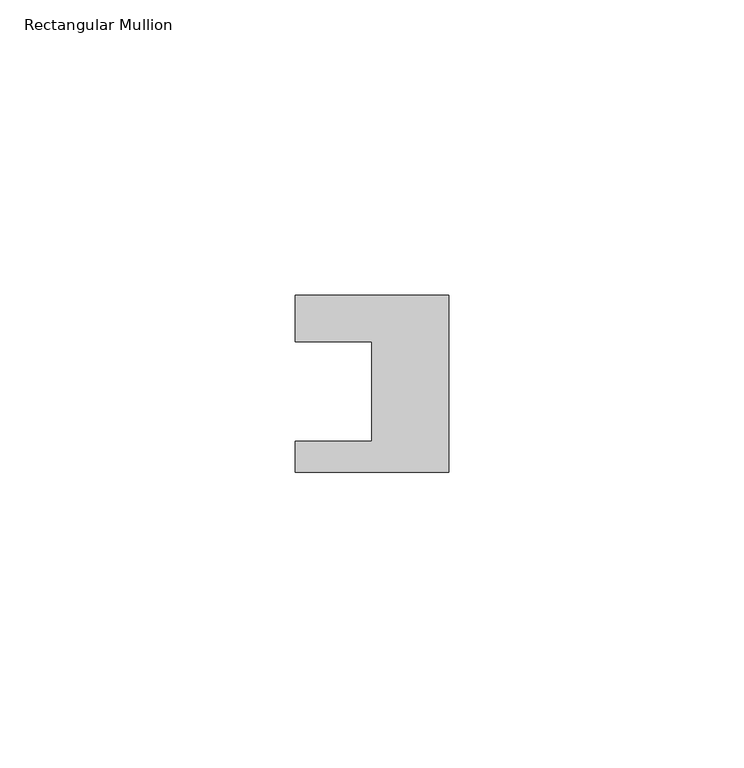
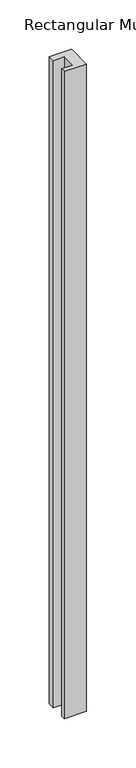
"""IFC4 building model written with IfcOpenShell, lengths in millimetres: member geometry, Rectangular Mullion."""

from ifc_helpers import new_model, si_unit, frame, origin, place, context, project, spatial, polyline, outline, extrude, source, transform, mapped, element, save


def rectangular_mullion_f6c19a3d(model_context):
    return source(origin(), model_context, "Body", "SweptSolid", [
        extrude(outline(polyline([(-26.0, 0.001), (-26.0, 7.94), (0.0, 7.94), (0.0, -22.06), (-26.0, -22.06), (-26.0, -16.8), (-13.0, -16.8), (-13.0, 0.001), (-26.0, 0.001)])), frame((0.0, 0.0, -800.0), z_axis=(0.0, 0.0, 1.0), x_axis=(1.0, 0.0, 0.0)), (0.0, 0.0, 1.0), 800.0),
    ])


if __name__ == "__main__":
    model = new_model("IFC4")
    model_context = context("Model", 3, world=origin())
    ifc_project = project(units=[si_unit("LENGTHUNIT", "METRE", prefix="MILLI")], contexts=[model_context])
    site = spatial("IfcSite", under=ifc_project)
    building = spatial("IfcBuilding", under=site)
    placement = place(None, origin())
    rectangular_mullion_shape = rectangular_mullion_f6c19a3d(model_context)
    element("IfcMember", 1, ObjectType="Rectangular Mullion", at=placement, inside=building, context=model_context, shape_type="MappedRepresentation", body=[
        mapped(rectangular_mullion_shape, transform((0.0, 0.0, 0.0), x_axis=(1.0, 0.0, 0.0), y_axis=(0.0, 1.0, 0.0), z_axis=(0.0, 0.0, 1.0))),
    ])
    save(model, "model.ifc")
